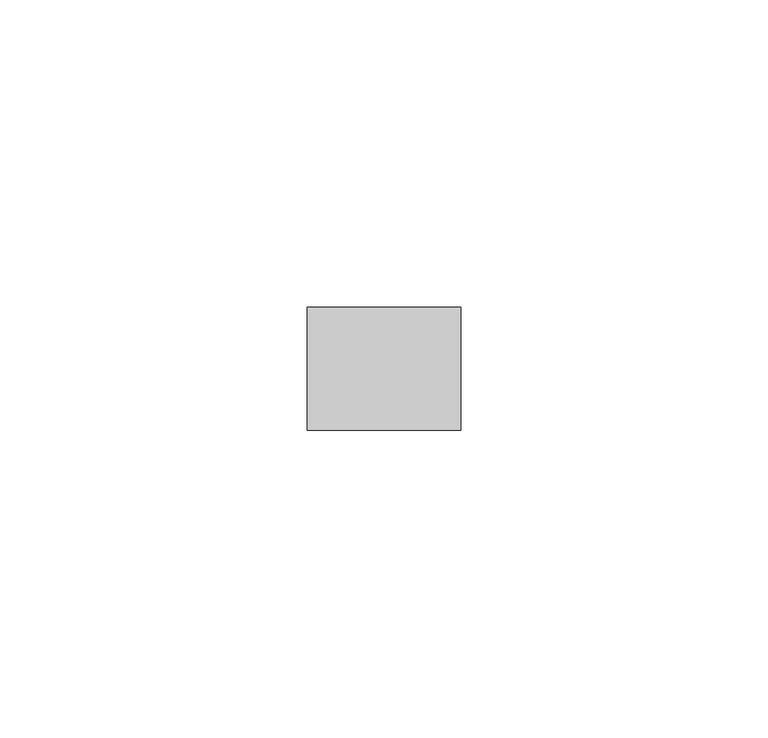
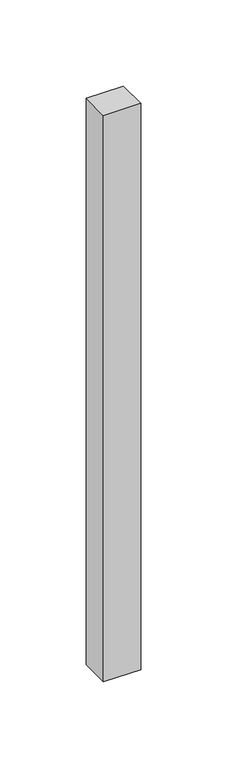
"""IFC4 building model written with IfcOpenShell, lengths in millimetres: plate geometry."""

from ifc_helpers import new_model, si_unit, origin, origin_with_axes, place, context, project, spatial, polyline, outline, extrude, source, transform, mapped, element, save


def plate_4115e0ad(model_context):
    return source(origin(), model_context, "Body", "SweptSolid", [
        extrude(outline(polyline([(12.5, 70.0), (-12.5, 70.0), (-12.5, 90.0), (12.5, 90.0), (12.5, 70.0)])), origin_with_axes(), (0.0, 0.0, 1.0), 401.6624409),
    ])


if __name__ == "__main__":
    model = new_model("IFC4")
    model_context = context("Model", 3, world=origin())
    ifc_project = project(units=[si_unit("LENGTHUNIT", "METRE", prefix="MILLI")], contexts=[model_context])
    site = spatial("IfcSite", under=ifc_project)
    building = spatial("IfcBuilding", under=site)
    placement = place(None, origin())
    plate_shape = plate_4115e0ad(model_context)
    element("IfcPlate", 1, at=placement, inside=building, context=model_context, shape_type="MappedRepresentation", body=[
        mapped(plate_shape, transform((0.0, 0.0, 0.0), x_axis=(1.0, 0.0, 0.0), y_axis=(0.0, 1.0, 0.0), z_axis=(0.0, 0.0, 1.0))),
    ])
    save(model, "model.ifc")
